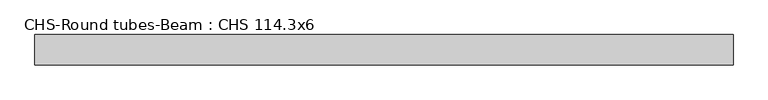
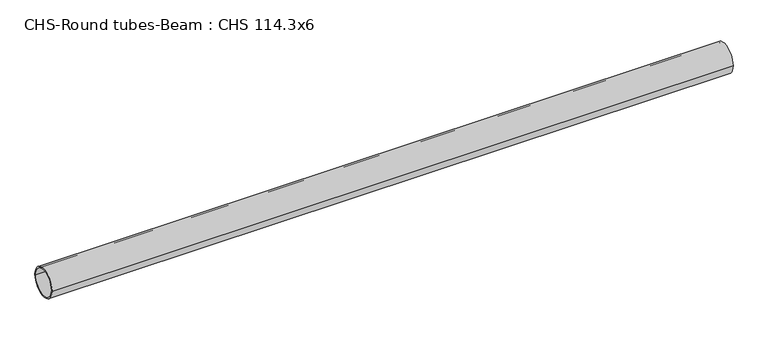
"""IFC4 building model written with IfcOpenShell, lengths in millimetres: beam geometry, CHS-Round tubes-Beam : CHS 114.3x6."""

from ifc_helpers import new_model, si_unit, point, frame, origin, origin_2d, place, context, project, spatial, circle_curve, trimmed, segment, composite_curve, outline, extrude, source, transform, mapped, element, save


def chs_round_tubes_beam_chs_114_3x6_4e588bee(model_context):
    return source(origin(), model_context, "Body", "SweptSolid", [
        extrude(outline(composite_curve([segment(trimmed(circle_curve(origin_2d(), 57.15), [point((57.15, 0.0))], [point((-57.15, 0.0))], False, "CARTESIAN"), True, "CONTINUOUS"), segment(trimmed(circle_curve(origin_2d(), 57.15), [point((-57.15, 0.0))], [point((57.15, 0.0))], False, "CARTESIAN"), True, "CONTINUOUS")], self_intersect=False), holes=[composite_curve([segment(trimmed(circle_curve(origin_2d(), 51.15), [point((51.15, 0.0))], [point((-51.15, 0.0))], True, "CARTESIAN"), True, "CONTINUOUS"), segment(trimmed(circle_curve(origin_2d(), 51.15), [point((-51.15, 0.0))], [point((51.15, 0.0))], True, "CARTESIAN"), True, "CONTINUOUS")], self_intersect=False)]), frame((-1270.0055473, 0.0, 0.0), z_axis=(1.0, 0.0, 0.0), x_axis=(0.0, 1.0, 0.0)), (0.0, 0.0, 1.0), 2621.7123025),
    ])


if __name__ == "__main__":
    model = new_model("IFC4")
    model_context = context("Model", 3, world=origin())
    ifc_project = project(units=[si_unit("LENGTHUNIT", "METRE", prefix="MILLI")], contexts=[model_context])
    site = spatial("IfcSite", under=ifc_project)
    building = spatial("IfcBuilding", under=site)
    placement = place(None, origin())
    chs_round_tubes_beam_chs_114_3x6_shape = chs_round_tubes_beam_chs_114_3x6_4e588bee(model_context)
    element("IfcBeam", 1, ObjectType="CHS-Round tubes-Beam : CHS 114.3x6", at=placement, inside=building, context=model_context, shape_type="MappedRepresentation", body=[
        mapped(chs_round_tubes_beam_chs_114_3x6_shape, transform((0.0, 0.0, 0.0), x_axis=(1.0, 0.0, 0.0), y_axis=(0.0, 1.0, 0.0), z_axis=(0.0, 0.0, 1.0))),
    ])
    save(model, "model.ifc")
